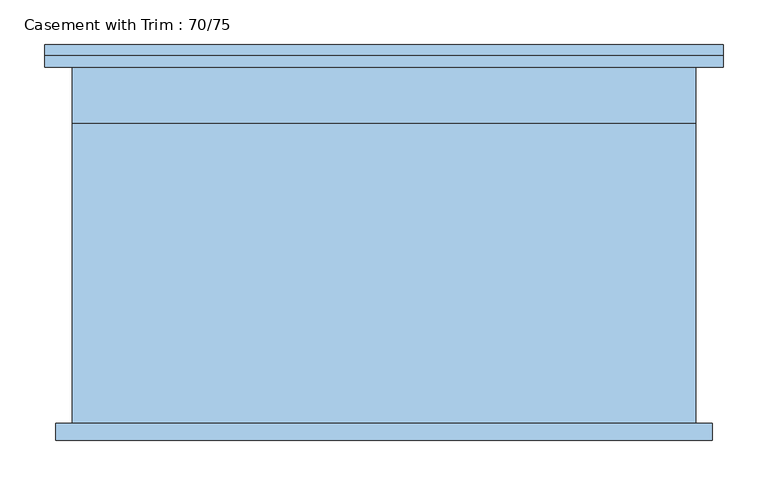
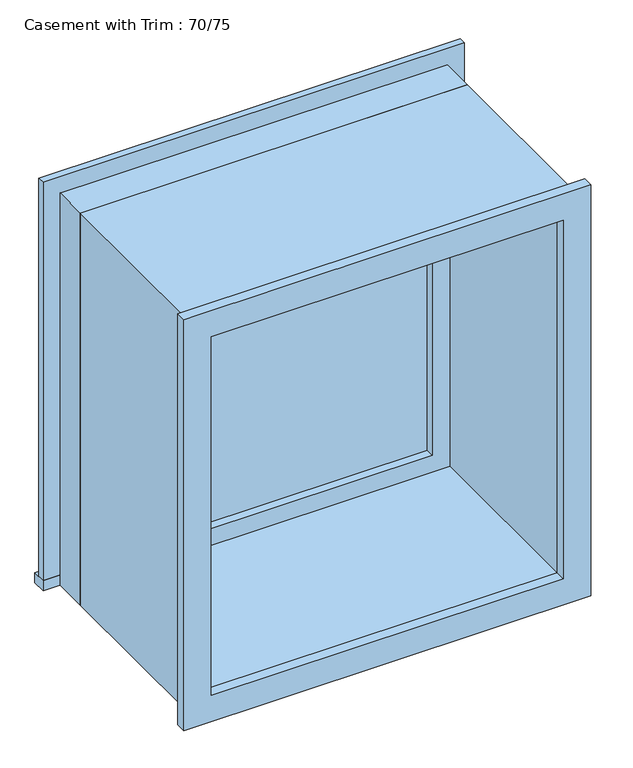
"""IFC4 building model written with IfcOpenShell, lengths in millimetres: window geometry, Casement with Trim : 70/75."""

from ifc_helpers import new_model, si_unit, frame, origin, place, context, project, spatial, polyline, outline, extrude, source, transform, mapped, element, save


def casement_with_trim_70_75_f084078f(model_context):
    return source(origin(), model_context, "Body", "SweptSolid", [
        extrude(outline(polyline([(-380.95, 225.4), (380.95, 225.4), (380.95, 200.0), (-380.95, 200.0), (-380.95, 225.4)])), frame((0.0, 0.0, 914.4), z_axis=(0.0, 0.0, 1.0), x_axis=(1.0, 0.0, 0.0)), (0.0, 0.0, 1.0), 19.05),
        extrude(outline(polyline([(1645.35, -330.95), (1645.35, 330.95), (933.45, 330.95), (933.45, 380.95), (1695.35, 380.95), (1695.35, -380.95), (933.45, -380.95), (933.45, -330.95), (1645.35, -330.95)])), frame((0.0, 200.0, 0.0), z_axis=(0.0, 1.0, 0.0), x_axis=(0.0, 0.0, 1.0)), (0.0, 0.0, 1.0), 12.7),
        extrude(outline(polyline([(1682.65, 368.25), (1682.65, -368.25), (896.15, -368.25), (896.15, 368.25), (1682.65, 368.25)]), holes=[polyline([(1632.65, 318.25), (946.15, 318.25), (946.15, -318.25), (1632.65, -318.25), (1632.65, 318.25)])]), frame((0.0, -219.05, 0.0), z_axis=(0.0, 1.0, 0.0), x_axis=(0.0, 0.0, 1.0)), (0.0, 0.0, 1.0), 19.05),
        extrude(outline(polyline([(286.5, 152.375), (-286.5, 152.375), (-286.5, 165.075), (286.5, 165.075), (286.5, 152.375)])), frame((0.0, 0.0, 977.9), z_axis=(0.0, 0.0, 1.0), x_axis=(1.0, 0.0, 0.0)), (0.0, 0.0, 1.0), 623.0),
        extrude(outline(polyline([(1645.35, -330.95), (933.45, -330.95), (933.45, 330.95), (1645.35, 330.95), (1645.35, -330.95)]), holes=[polyline([(1600.9, -286.5), (1600.9, 286.5), (977.9, 286.5), (977.9, -286.5), (1600.9, -286.5)])]), frame((0.0, 136.5, 0.0), z_axis=(0.0, 1.0, 0.0), x_axis=(0.0, 0.0, 1.0)), (0.0, 0.0, 1.0), 44.45),
        extrude(outline(polyline([(1664.4, -350.0), (914.4, -350.0), (914.4, 350.0), (1664.4, 350.0), (1664.4, -350.0)]), holes=[polyline([(1632.65, -318.25), (1632.65, 318.25), (946.15, 318.25), (946.15, -318.25), (1632.65, -318.25)])]), frame((0.0, -200.0, 0.0), z_axis=(0.0, 1.0, 0.0), x_axis=(0.0, 0.0, 1.0)), (0.0, 0.0, 1.0), 336.5),
        extrude(outline(polyline([(1664.4, 350.0), (1664.4, -350.0), (914.4, -350.0), (914.4, 350.0), (1664.4, 350.0)]), holes=[polyline([(1645.35, 330.95), (933.45, 330.95), (933.45, -330.95), (1645.35, -330.95), (1645.35, 330.95)])]), frame((0.0, 136.5, 0.0), z_axis=(0.0, 1.0, 0.0), x_axis=(0.0, 0.0, 1.0)), (0.0, 0.0, 1.0), 63.5),
    ])


if __name__ == "__main__":
    model = new_model("IFC4")
    model_context = context("Model", 3, world=origin())
    ifc_project = project(units=[si_unit("LENGTHUNIT", "METRE", prefix="MILLI")], contexts=[model_context])
    site = spatial("IfcSite", under=ifc_project)
    building = spatial("IfcBuilding", under=site)
    placement = place(None, origin())
    casement_with_trim_70_75_shape = casement_with_trim_70_75_f084078f(model_context)
    element("IfcWindow", 1, ObjectType="Casement with Trim : 70/75", at=placement, inside=building, context=model_context, shape_type="MappedRepresentation", body=[
        mapped(casement_with_trim_70_75_shape, transform((0.0, 0.0, 0.0), x_axis=(1.0, 0.0, 0.0), y_axis=(0.0, 1.0, 0.0), z_axis=(0.0, 0.0, 1.0))),
    ])
    save(model, "model.ifc")
